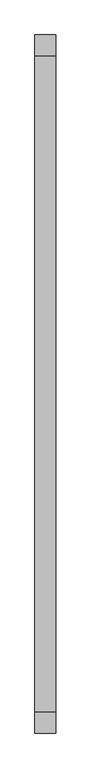
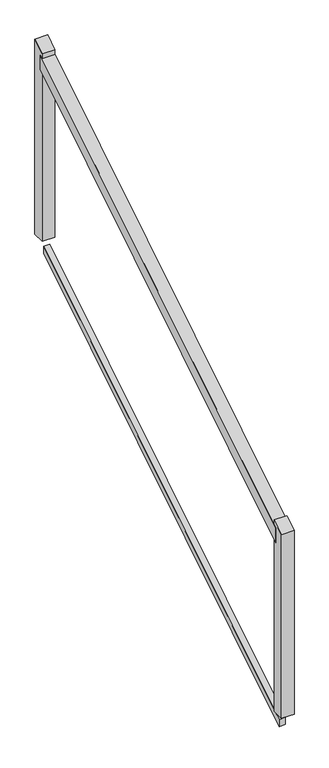
"""IFC4 building model written with IfcOpenShell, lengths in millimetres: railing geometry."""

from ifc_helpers import new_model, si_unit, frame, origin, place, context, project, spatial, polyline, outline, extrude, source, transform, mapped, element, save


def railing_242b73a3(model_context):
    return source(origin(), model_context, "Body", "SweptSolid", [
        extrude(outline(polyline([(119462.2077715, 4141.7063499), (119462.2077715, 4201.4936501), (121094.2077715, 5214.2936501), (121094.2077715, 5154.5063499), (119462.2077715, 4141.7063499)])), frame((-18255.5858677, 0.0, 0.0), z_axis=(1.0, 0.0, 0.0), x_axis=(0.0, 1.0, 0.0)), (0.0, 0.0, 1.0), 50.8),
        extrude(outline(polyline([(119462.2077715, 3359.053175), (119462.2077715, 3388.946825), (121094.2077715, 4401.746825), (121094.2077715, 4371.853175), (119462.2077715, 3359.053175)])), frame((-18242.8858677, 0.0, 0.0), z_axis=(1.0, 0.0, 0.0), x_axis=(0.0, 1.0, 0.0)), (0.0, 0.0, 1.0), 25.4),
        extrude(outline(polyline([(121081.5077715, 5227.4185294), (121132.3077715, 5258.9444118), (121132.3077715, 4434.4), (121081.5077715, 4434.4), (121081.5077715, 5227.4185294)])), frame((-18255.5858677, 0.0, 0.0), z_axis=(1.0, 0.0, 0.0), x_axis=(0.0, 1.0, 0.0)), (0.0, 0.0, 1.0), 50.8),
        extrude(outline(polyline([(119424.1077715, 4198.8555882), (119474.9077715, 4230.3814706), (119474.9077715, 3421.6), (119424.1077715, 3421.6), (119424.1077715, 4198.8555882)])), frame((-18255.5858677, 0.0, 0.0), z_axis=(1.0, 0.0, 0.0), x_axis=(0.0, 1.0, 0.0)), (0.0, 0.0, 1.0), 50.8),
    ])


if __name__ == "__main__":
    model = new_model("IFC4")
    model_context = context("Model", 3, world=origin())
    ifc_project = project(units=[si_unit("LENGTHUNIT", "METRE", prefix="MILLI")], contexts=[model_context])
    site = spatial("IfcSite", under=ifc_project)
    building = spatial("IfcBuilding", under=site)
    placement = place(None, origin())
    railing_shape = railing_242b73a3(model_context)
    element("IfcRailing", 1, at=placement, inside=building, context=model_context, shape_type="MappedRepresentation", body=[
        mapped(railing_shape, transform((0.0, 0.0, 0.0), x_axis=(1.0, 0.0, 0.0), y_axis=(0.0, 1.0, 0.0), z_axis=(0.0, 0.0, 1.0))),
    ])
    save(model, "model.ifc")
